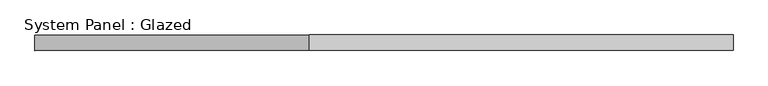
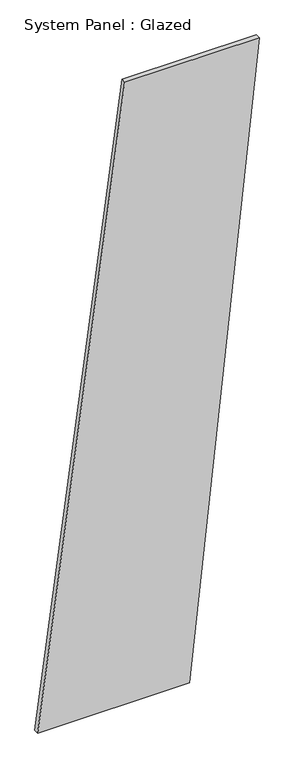
"""IFC4 building model written with IfcOpenShell, lengths in millimetres: plate geometry, System Panel : Glazed."""

from ifc_helpers import new_model, si_unit, frame, origin, place, context, project, spatial, polyline, outline, extrude, source, transform, mapped, element, save


def system_panel_glazed_06ce8def(model_context):
    return source(origin(), model_context, "Body", "SweptSolid", [
        extrude(outline(polyline([(0.0, -563.4578725), (0.0, 209.1405878), (3340.72648, 563.4578725), (3340.72648, -120.5612666), (0.0, -563.4578725)])), frame((0.0, -49.5, 0.0), z_axis=(0.0, 1.0, 0.0), x_axis=(0.0, 0.0, 1.0)), (0.0, 0.0, 1.0), 25.0),
    ])


if __name__ == "__main__":
    model = new_model("IFC4")
    model_context = context("Model", 3, world=origin())
    ifc_project = project(units=[si_unit("LENGTHUNIT", "METRE", prefix="MILLI")], contexts=[model_context])
    site = spatial("IfcSite", under=ifc_project)
    building = spatial("IfcBuilding", under=site)
    placement = place(None, origin())
    system_panel_glazed_shape = system_panel_glazed_06ce8def(model_context)
    element("IfcPlate", 1, ObjectType="System Panel : Glazed", at=placement, inside=building, context=model_context, shape_type="MappedRepresentation", body=[
        mapped(system_panel_glazed_shape, transform((0.0, 0.0, 0.0), x_axis=(1.0, 0.0, 0.0), y_axis=(0.0, 1.0, 0.0), z_axis=(0.0, 0.0, 1.0))),
    ])
    save(model, "model.ifc")
